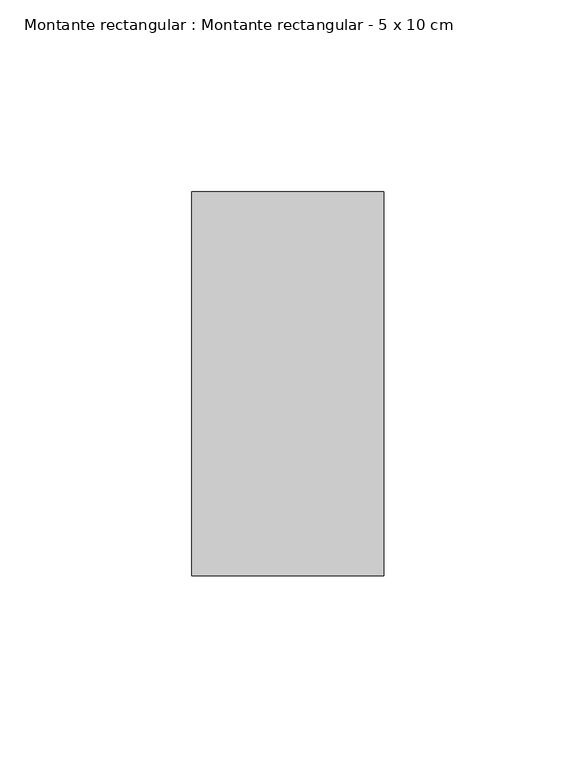
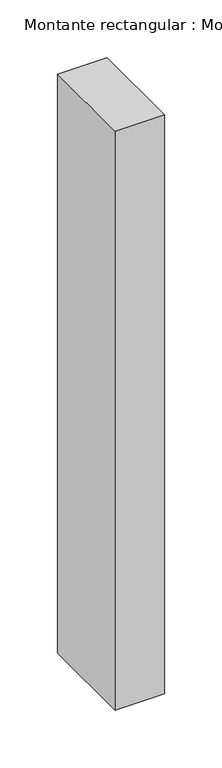
"""IFC4 building model written with IfcOpenShell, lengths in millimetres: member geometry, Montante rectangular : Montante rectangular - 5 x 10 cm."""

from ifc_helpers import new_model, si_unit, frame, origin, place, context, project, spatial, polyline, outline, extrude, source, transform, mapped, element, save


def montante_rectangular_montante_rectangular_5_x_10_cm_98f625d6(model_context):
    return source(origin(), model_context, "Body", "SweptSolid", [
        extrude(outline(polyline([(0.0, -50.0), (-50.0, -50.0), (-50.0, 50.0), (0.0, 50.0), (0.0, -50.0)])), frame((0.0, 0.0, -614.4853948), z_axis=(0.0, 0.0, 1.0), x_axis=(1.0, 0.0, 0.0)), (0.0, 0.0, 1.0), 614.4853948),
    ])


if __name__ == "__main__":
    model = new_model("IFC4")
    model_context = context("Model", 3, world=origin())
    ifc_project = project(units=[si_unit("LENGTHUNIT", "METRE", prefix="MILLI")], contexts=[model_context])
    site = spatial("IfcSite", under=ifc_project)
    building = spatial("IfcBuilding", under=site)
    placement = place(None, origin())
    montante_rectangular_montante_rectangular_5_x_10_cm_shape = montante_rectangular_montante_rectangular_5_x_10_cm_98f625d6(model_context)
    element("IfcMember", 1, ObjectType="Montante rectangular : Montante rectangular - 5 x 10 cm", at=placement, inside=building, context=model_context, shape_type="MappedRepresentation", body=[
        mapped(montante_rectangular_montante_rectangular_5_x_10_cm_shape, transform((0.0, 0.0, 0.0), x_axis=(1.0, 0.0, 0.0), y_axis=(0.0, 1.0, 0.0), z_axis=(0.0, 0.0, 1.0))),
    ])
    save(model, "model.ifc")
